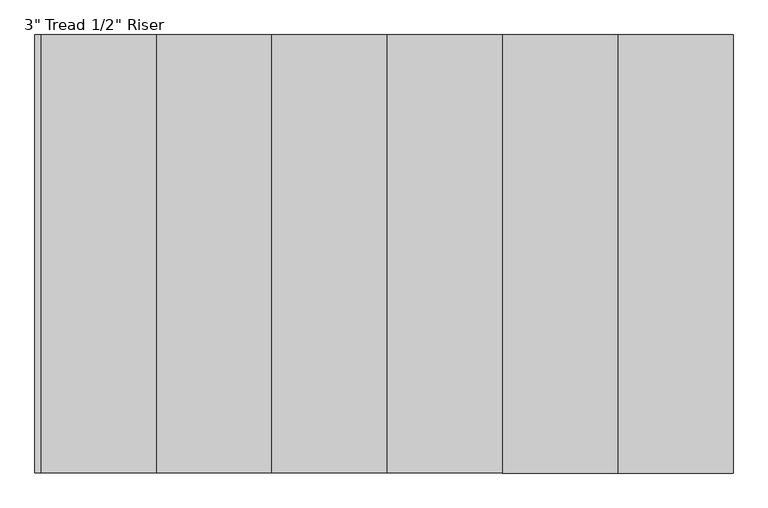
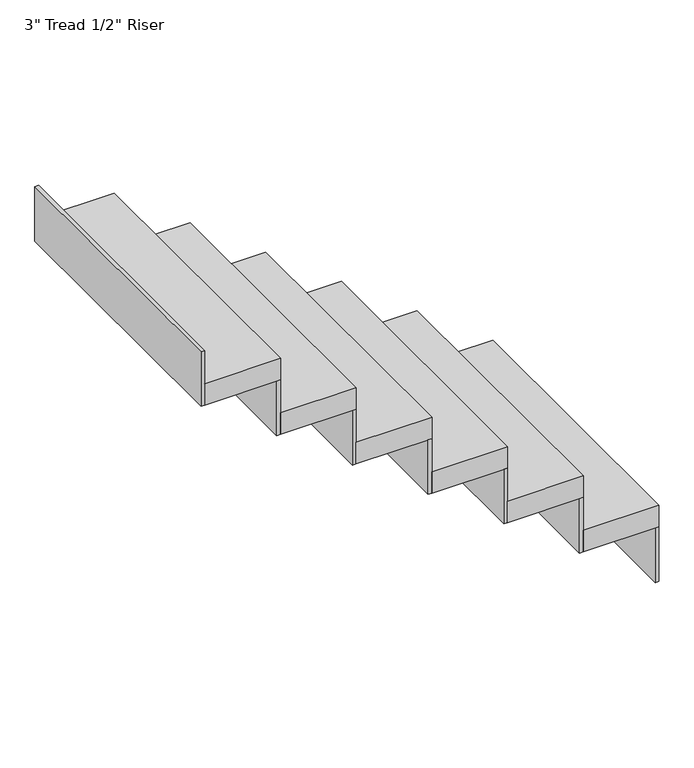
"""IFC4 building model written with IfcOpenShell, lengths in millimetres: stair flight geometry."""

from ifc_helpers import new_model, si_unit, frame, origin, place, context, project, spatial, polyline, outline, extrude, source, transform, mapped, element, save


def stair_flight_d26bfc9f(model_context):
    return source(origin(), model_context, "Body", "SweptSolid", [
        extrude(outline(polyline([(7405.403833, 4947.9809329), (7418.103833, 4947.9809329), (7418.103833, 3982.7809329), (7405.403833, 3982.7809329), (7405.403833, 4947.9809329)])), frame((0.0, 0.0, 2118.7171875), z_axis=(0.0, 0.0, 1.0), x_axis=(1.0, 0.0, 0.0)), (0.0, 0.0, 1.0), 193.0796875),
        extrude(outline(polyline([(7164.103833, 3982.7809329), (7164.103833, 4947.9809329), (7418.103833, 4947.9809329), (7418.103833, 3982.7809329), (7164.103833, 3982.7809329)])), frame((0.0, 0.0, 2311.796875), z_axis=(0.0, 0.0, 1.0), x_axis=(1.0, 0.0, 0.0)), (0.0, 0.0, 1.0), 76.2),
        extrude(outline(polyline([(7151.403833, 4947.9809329), (7164.103833, 4947.9809329), (7164.103833, 3982.7809329), (7151.403833, 3982.7809329), (7151.403833, 4947.9809329)])), frame((0.0, 0.0, 2311.796875), z_axis=(0.0, 0.0, 1.0), x_axis=(1.0, 0.0, 0.0)), (0.0, 0.0, 1.0), 193.0796875),
        extrude(outline(polyline([(6910.103833, 3982.7809329), (6910.103833, 4947.9809329), (7164.103833, 4947.9809329), (7164.103833, 3982.7809329), (6910.103833, 3982.7809329)])), frame((0.0, 0.0, 2504.8765625), z_axis=(0.0, 0.0, 1.0), x_axis=(1.0, 0.0, 0.0)), (0.0, 0.0, 1.0), 76.2),
        extrude(outline(polyline([(6897.403833, 4947.9809329), (6910.103833, 4947.9809329), (6910.103833, 3982.7809329), (6897.403833, 3982.7809329), (6897.403833, 4947.9809329)])), frame((0.0, 0.0, 2504.8765625), z_axis=(0.0, 0.0, 1.0), x_axis=(1.0, 0.0, 0.0)), (0.0, 0.0, 1.0), 193.0796875),
        extrude(outline(polyline([(6656.103833, 3982.7809329), (6656.103833, 4947.9809329), (6910.103833, 4947.9809329), (6910.103833, 3982.7809329), (6656.103833, 3982.7809329)])), frame((0.0, 0.0, 2697.95625), z_axis=(0.0, 0.0, 1.0), x_axis=(1.0, 0.0, 0.0)), (0.0, 0.0, 1.0), 76.2),
        extrude(outline(polyline([(6643.403833, 4947.9809329), (6656.103833, 4947.9809329), (6656.103833, 3982.7809329), (6643.403833, 3982.7809329), (6643.403833, 4947.9809329)])), frame((0.0, 0.0, 2697.95625), z_axis=(0.0, 0.0, 1.0), x_axis=(1.0, 0.0, 0.0)), (0.0, 0.0, 1.0), 193.0796875),
        extrude(outline(polyline([(6402.103833, 3982.7809329), (6402.103833, 4947.9809329), (6656.103833, 4947.9809329), (6656.103833, 3982.7809329), (6402.103833, 3982.7809329)])), frame((0.0, 0.0, 2891.0359375), z_axis=(0.0, 0.0, 1.0), x_axis=(1.0, 0.0, 0.0)), (0.0, 0.0, 1.0), 76.2),
        extrude(outline(polyline([(6389.403833, 4947.9809329), (6402.103833, 4947.9809329), (6402.103833, 3982.7809329), (6389.403833, 3982.7809329), (6389.403833, 4947.9809329)])), frame((0.0, 0.0, 2891.0359375), z_axis=(0.0, 0.0, 1.0), x_axis=(1.0, 0.0, 0.0)), (0.0, 0.0, 1.0), 193.0796875),
        extrude(outline(polyline([(6148.103833, 3982.7809329), (6148.103833, 4947.9809329), (6402.103833, 4947.9809329), (6402.103833, 3982.7809329), (6148.103833, 3982.7809329)])), frame((0.0, 0.0, 3084.115625), z_axis=(0.0, 0.0, 1.0), x_axis=(1.0, 0.0, 0.0)), (0.0, 0.0, 1.0), 76.2),
        extrude(outline(polyline([(6135.403833, 4947.9809329), (6148.103833, 4947.9809329), (6148.103833, 3982.7809329), (6135.403833, 3982.7809329), (6135.403833, 4947.9809329)])), frame((0.0, 0.0, 3084.115625), z_axis=(0.0, 0.0, 1.0), x_axis=(1.0, 0.0, 0.0)), (0.0, 0.0, 1.0), 193.0796875),
        extrude(outline(polyline([(5881.403833, 4947.9809329), (5894.103833, 4947.9809329), (5894.103833, 3982.7809329), (5881.403833, 3982.7809329), (5881.403833, 4947.9809329)])), frame((0.0, 0.0, 3277.1953125), z_axis=(0.0, 0.0, 1.0), x_axis=(1.0, 0.0, 0.0)), (0.0, 0.0, 1.0), 193.0796875),
        extrude(outline(polyline([(5894.103833, 3982.7809329), (5894.103833, 4947.9809329), (6148.103833, 4947.9809329), (6148.103833, 3982.7809329), (5894.103833, 3982.7809329)])), frame((0.0, 0.0, 3277.1953125), z_axis=(0.0, 0.0, 1.0), x_axis=(1.0, 0.0, 0.0)), (0.0, 0.0, 1.0), 76.2),
    ])


if __name__ == "__main__":
    model = new_model("IFC4")
    model_context = context("Model", 3, world=origin())
    ifc_project = project(units=[si_unit("LENGTHUNIT", "METRE", prefix="MILLI")], contexts=[model_context])
    site = spatial("IfcSite", under=ifc_project)
    building = spatial("IfcBuilding", under=site)
    placement = place(None, origin())
    stair_flight_shape = stair_flight_d26bfc9f(model_context)
    element("IfcStairFlight", 1, ObjectType="3\" Tread 1/2\" Riser", at=placement, inside=building, context=model_context, shape_type="MappedRepresentation", body=[
        mapped(stair_flight_shape, transform((0.0, 0.0, 0.0), x_axis=(1.0, 0.0, 0.0), y_axis=(0.0, 1.0, 0.0), z_axis=(0.0, 0.0, 1.0))),
    ])
    save(model, "model.ifc")
